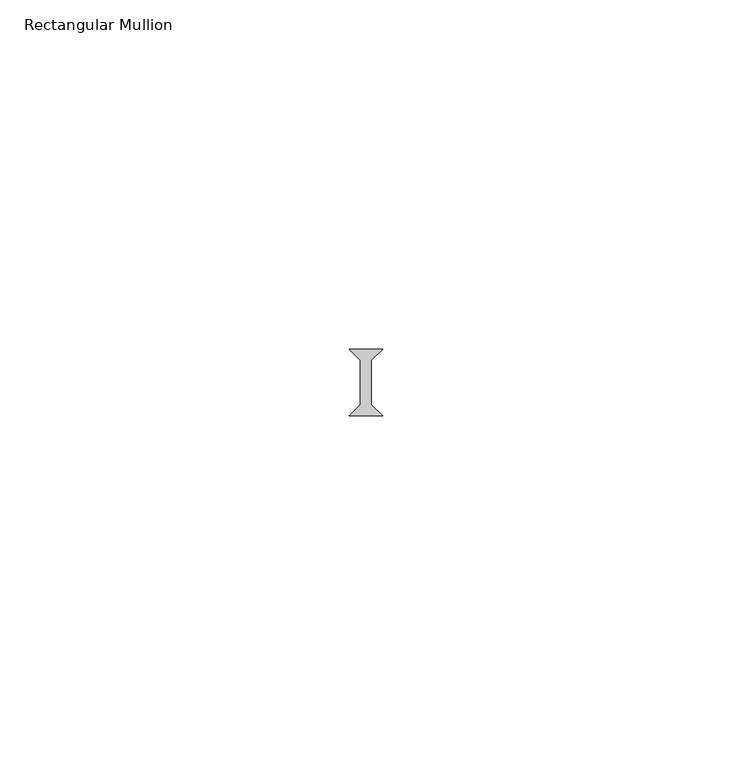
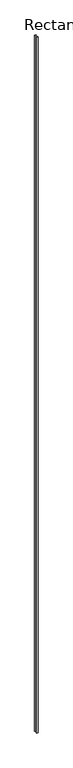
"""IFC4 building model written with IfcOpenShell, lengths in millimetres: member geometry, Rectangular Mullion."""

from ifc_helpers import new_model, si_unit, frame, origin, place, context, project, spatial, polyline, outline, extrude, source, transform, mapped, element, save


def rectangular_mullion_a54de290(model_context):
    return source(origin(), model_context, "Body", "SweptSolid", [
        extrude(outline(polyline([(-2.38125, 4.7625), (2.38125, 4.7625), (0.79375, 3.175), (0.79375, -3.175), (2.38125, -4.7625), (-2.38125, -4.7625), (-0.79375, -3.175), (-0.79375, 3.175), (-2.38125, 4.7625)])), frame((0.0, 0.0, -2359.025), z_axis=(0.0, 0.0, 1.0), x_axis=(1.0, 0.0, 0.0)), (0.0, 0.0, 1.0), 2359.025),
    ])


if __name__ == "__main__":
    model = new_model("IFC4")
    model_context = context("Model", 3, world=origin())
    ifc_project = project(units=[si_unit("LENGTHUNIT", "METRE", prefix="MILLI")], contexts=[model_context])
    site = spatial("IfcSite", under=ifc_project)
    building = spatial("IfcBuilding", under=site)
    placement = place(None, origin())
    rectangular_mullion_shape = rectangular_mullion_a54de290(model_context)
    element("IfcMember", 1, ObjectType="Rectangular Mullion", at=placement, inside=building, context=model_context, shape_type="MappedRepresentation", body=[
        mapped(rectangular_mullion_shape, transform((0.0, 0.0, 0.0), x_axis=(1.0, 0.0, 0.0), y_axis=(0.0, 1.0, 0.0), z_axis=(0.0, 0.0, 1.0))),
    ])
    save(model, "model.ifc")
